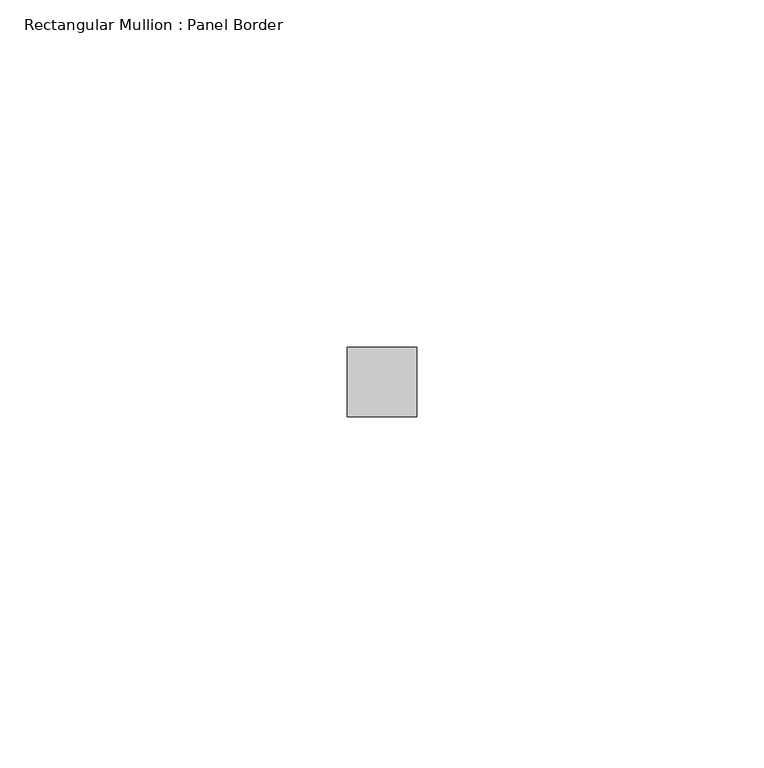
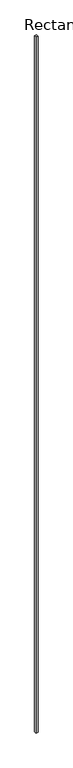
"""IFC4 building model written with IfcOpenShell, lengths in millimetres: member geometry, Rectangular Mullion : Panel Border."""

from ifc_helpers import new_model, si_unit, frame, origin, place, context, project, spatial, polyline, outline, extrude, source, transform, mapped, element, save


def rectangular_mullion_panel_border_b66c8561(model_context):
    return source(origin(), model_context, "Body", "SweptSolid", [
        extrude(outline(polyline([(5.0, 5.5), (5.0, -4.5), (-5.0, -4.5), (-5.0, 5.5), (5.0, 5.5)])), frame((0.0, 0.0, -3590.0), z_axis=(0.0, 0.0, 1.0), x_axis=(1.0, 0.0, 0.0)), (0.0, 0.0, 1.0), 3590.0),
    ])


if __name__ == "__main__":
    model = new_model("IFC4")
    model_context = context("Model", 3, world=origin())
    ifc_project = project(units=[si_unit("LENGTHUNIT", "METRE", prefix="MILLI")], contexts=[model_context])
    site = spatial("IfcSite", under=ifc_project)
    building = spatial("IfcBuilding", under=site)
    placement = place(None, origin())
    rectangular_mullion_panel_border_shape = rectangular_mullion_panel_border_b66c8561(model_context)
    element("IfcMember", 1, ObjectType="Rectangular Mullion : Panel Border", at=placement, inside=building, context=model_context, shape_type="MappedRepresentation", body=[
        mapped(rectangular_mullion_panel_border_shape, transform((0.0, 0.0, 0.0), x_axis=(1.0, 0.0, 0.0), y_axis=(0.0, 1.0, 0.0), z_axis=(0.0, 0.0, 1.0))),
    ])
    save(model, "model.ifc")
